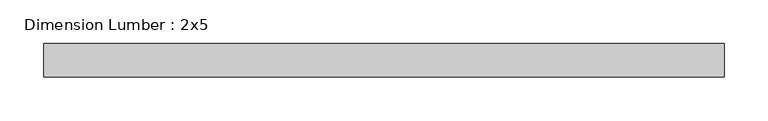
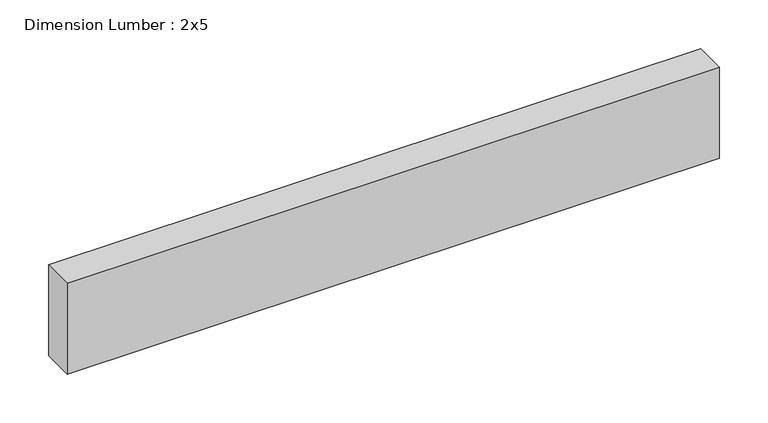
"""IFC4 building model written with IfcOpenShell, lengths in millimetres: beam geometry, Dimension Lumber : 2x5."""

import ifcopenshell
import ifcopenshell.guid

model = None  # the IFC model being written
_history = None  # IfcOwnerHistory: only IFC2X3 demands one
_inside = {}  # id of a spatial element -> (the spatial element, [elements in it])
_under = {}  # id of a project, library or spatial element -> (it, [spatial elements below it])
_declared = {}  # id of a project -> (the project, [libraries it declares])
_typed = {}  # id of a type object -> (the type object, [elements of that type])
_made_of = {}  # id of a material, layer set ... -> (it, [elements and type objects made of it])


def new_model(schema):
    """Start an empty IFC model of exactly this schema.

    Asked for "IFC4X3", IfcOpenShell would pick the latest addendum, in which some entities
    have other attributes; the version numbers below select the first issue.
    IFC2X3 requires an IfcOwnerHistory on every rooted entity: one is made here for all.
    """
    global model, _history
    if schema == "IFC4X3":
        model = ifcopenshell.file(schema_version=(4, 3, 0, 0))
    else:
        model = ifcopenshell.file(schema=schema)
    _inside.clear()
    _under.clear()
    _declared.clear()
    _typed.clear()
    _made_of.clear()
    _history = None
    if model.schema == "IFC2X3":
        org = make("IfcOrganization", Name="unknown")
        user = make(
            "IfcPersonAndOrganization",
            ThePerson=make("IfcPerson", FamilyName="unknown"),
            TheOrganization=org,
        )
        app = make(
            "IfcApplication",
            ApplicationDeveloper=org,
            Version="unknown",
            ApplicationFullName="unknown",
            ApplicationIdentifier="unknown",
        )
        _history = make(
            "IfcOwnerHistory",
            OwningUser=user,
            OwningApplication=app,
            ChangeAction="ADDED",
            CreationDate=0,
        )
    return model


def make(cls, **values):
    """One entity of the class cls with the attributes given. An attribute that is None is left unset."""
    return model.create_entity(
        cls, **{name: value for name, value in values.items() if value is not None}
    )


def rooted(cls, **values):
    """An entity with a GlobalId (a new one), such as an element, a storey or a relation."""
    return make(cls, GlobalId=ifcopenshell.guid.new(), OwnerHistory=_history, **values)


def si_unit(unit_type, name, prefix=None):
    """IfcSIUnit, for example si_unit("LENGTHUNIT", "METRE", prefix="MILLI")."""
    return make("IfcSIUnit", UnitType=unit_type, Prefix=prefix, Name=name)


def assignment(units):
    """IfcUnitAssignment: the units of a project."""
    return None if units is None else make("IfcUnitAssignment", Units=units)


def point(xyz):
    """IfcCartesianPoint."""
    return None if xyz is None else make("IfcCartesianPoint", Coordinates=xyz)


def direction(xyz):
    """IfcDirection."""
    return None if xyz is None else make("IfcDirection", DirectionRatios=xyz)


def frame(location, z_axis=None, x_axis=None):
    """IfcAxis2Placement3D, a coordinate frame: its origin and axes. An axis left out is left unset."""
    return make(
        "IfcAxis2Placement3D",
        Location=point(location),
        Axis=direction(z_axis),
        RefDirection=direction(x_axis),
    )


def origin():
    """The frame at (0, 0, 0) with its axes left unset."""
    return frame((0.0, 0.0, 0.0))


def place(relative_to, where):
    """IfcLocalPlacement: puts the frame where relative to a parent placement (None: the world)."""
    return make(
        "IfcLocalPlacement", PlacementRelTo=relative_to, RelativePlacement=where
    )


def context(
    kind, dimensions, precision=None, world=None, true_north=None, identifier=None
):
    """IfcGeometricRepresentationContext, for example the 3D "Model" context."""
    return make(
        "IfcGeometricRepresentationContext",
        ContextIdentifier=identifier,
        ContextType=kind,
        CoordinateSpaceDimension=dimensions,
        Precision=precision,
        WorldCoordinateSystem=world,
        TrueNorth=true_north,
    )


def project(units=None, contexts=None):
    """IfcProject with its units and contexts."""
    return rooted(
        "IfcProject",
        Name="project",
        RepresentationContexts=contexts,
        UnitsInContext=assignment(units),
    )


def spatial(cls, under=None, at=None, **own):
    """A site, building, storey or space (cls), placed at a placement, below another one or the project."""
    s = rooted(cls, ObjectPlacement=at, **own)
    if under is not None:
        _under.setdefault(under.id(), (under, []))[1].append(s)
    return s


def polyline(points):
    """IfcPolyline through the points."""
    return make("IfcPolyline", Points=[point(p) for p in points])


def outline(outer, holes=None, kind="AREA"):
    """IfcArbitraryClosedProfileDef: a profile drawn as a closed curve; with holes, ...WithVoids."""
    if holes is None:
        return make("IfcArbitraryClosedProfileDef", ProfileType=kind, OuterCurve=outer)
    return make(
        "IfcArbitraryProfileDefWithVoids",
        ProfileType=kind,
        OuterCurve=outer,
        InnerCurves=holes,
    )


def extrude(swept, where, along, depth):
    """IfcExtrudedAreaSolid: the profile swept, set in the frame where, extruded along a direction by depth."""
    return make(
        "IfcExtrudedAreaSolid",
        SweptArea=swept,
        Position=where,
        ExtrudedDirection=direction(along),
        Depth=depth,
    )


def shape(context_of_items, identifier, shape_type, items):
    """IfcShapeRepresentation: the items that make up one representation, for example the "Body"."""
    return make(
        "IfcShapeRepresentation",
        ContextOfItems=context_of_items,
        RepresentationIdentifier=identifier,
        RepresentationType=shape_type,
        Items=items,
    )


def source(mapping_origin, context_of_items, identifier, shape_type, items):
    """IfcRepresentationMap: a shape defined once, which mapped items show again and again."""
    return make(
        "IfcRepresentationMap",
        MappingOrigin=mapping_origin,
        MappedRepresentation=shape(context_of_items, identifier, shape_type, items),
    )


def transform(
    local_origin,
    x_axis=None,
    y_axis=None,
    z_axis=None,
    scale=None,
    scale2=None,
    scale3=None,
    uniform=True,
):
    """IfcCartesianTransformationOperator3D, or its non-uniform kind. x_axis, y_axis, z_axis: its Axis1, 2, 3."""
    if uniform:
        return make(
            "IfcCartesianTransformationOperator3D",
            Axis1=direction(x_axis),
            Axis2=direction(y_axis),
            LocalOrigin=point(local_origin),
            Scale=scale,
            Axis3=direction(z_axis),
        )
    return make(
        "IfcCartesianTransformationOperator3DnonUniform",
        Axis1=direction(x_axis),
        Axis2=direction(y_axis),
        LocalOrigin=point(local_origin),
        Scale=scale,
        Axis3=direction(z_axis),
        Scale2=scale2,
        Scale3=scale3,
    )


def mapped(mapping_source, mapping_target):
    """IfcMappedItem: shows the shape of a source again, moved by a transform."""
    return make(
        "IfcMappedItem", MappingSource=mapping_source, MappingTarget=mapping_target
    )


def made_of(thing, what):
    """Note that an element or type object is made of a material, layer set ...; save() writes the relation."""
    if what is not None:
        _made_of.setdefault(what.id(), (what, []))[1].append(thing)
    return thing


def element(
    cls,
    number,
    at=None,
    inside=None,
    cuts=None,
    type_object=None,
    material=None,
    context=None,
    identifier="Body",
    shape_type=None,
    held_by="IfcProductDefinitionShape",
    body=None,
    shapes=None,
    **own,
):
    """One element of the class cls, such as IfcWall. Its Tag is "e" and its number.

    at: its placement. inside: the storey or other place that contains it. cuts: it is an
    opening in that element (IfcRelVoidsElement). A single representation is given by context,
    identifier, shape_type and body (its items); several are given by shapes. held_by: the class
    of the entity that holds the representations. save() writes the other relations.
    """
    e = rooted(cls, Tag="e%d" % number, ObjectPlacement=at, **own)
    if body is not None:
        shapes = [shape(context, identifier, shape_type, body)]
    if shapes is not None:
        e.Representation = make(held_by, Representations=shapes)
    if inside is not None:
        _inside.setdefault(inside.id(), (inside, []))[1].append(e)
    if cuts is not None:
        rooted(
            "IfcRelVoidsElement", RelatingBuildingElement=cuts, RelatedOpeningElement=e
        )
    if type_object is not None:
        _typed.setdefault(type_object.id(), (type_object, []))[1].append(e)
    return made_of(e, material)


def aggregate(whole, parts):
    """IfcRelAggregates: a whole, such as a stair, and the parts it consists of."""
    return rooted("IfcRelAggregates", RelatingObject=whole, RelatedObjects=parts)


def save(model, path):
    """Write the relations noted so far, then the file.

    IfcRelAggregates (storeys below a building ...), IfcRelContainedInSpatialStructure (elements
    in a storey), IfcRelDefinesByType, IfcRelAssociatesMaterial and IfcRelDeclares: one each for
    every whole, place, type object, material and project.
    """
    for whole, parts in _under.values():
        aggregate(whole, parts)
    for where, things in _inside.values():
        rooted(
            "IfcRelContainedInSpatialStructure",
            RelatedElements=things,
            RelatingStructure=where,
        )
    for kind, things in _typed.values():
        rooted("IfcRelDefinesByType", RelatedObjects=things, RelatingType=kind)
    for what, things in _made_of.values():
        rooted("IfcRelAssociatesMaterial", RelatedObjects=things, RelatingMaterial=what)
    for by, libraries in _declared.values():
        rooted("IfcRelDeclares", RelatingContext=by, RelatedDefinitions=libraries)
    model.write(path)


def dimension_lumber_2x5_b24bcf29(model_context):
    return source(origin(), model_context, "Body", "SweptSolid", [
        extrude(outline(polyline([(386.9115509, 19.05), (386.9115509, -19.05), (-386.9115509, -19.05), (-386.9115509, 19.05), (386.9115509, 19.05)])), frame((0.0, 0.0, -57.15), z_axis=(0.0, 0.0, 1.0), x_axis=(1.0, 0.0, 0.0)), (0.0, 0.0, 1.0), 114.3),
    ])


if __name__ == "__main__":
    model = new_model("IFC4")
    model_context = context("Model", 3, world=origin())
    ifc_project = project(units=[si_unit("LENGTHUNIT", "METRE", prefix="MILLI")], contexts=[model_context])
    site = spatial("IfcSite", under=ifc_project)
    building = spatial("IfcBuilding", under=site)
    placement = place(None, origin())
    dimension_lumber_2x5_shape = dimension_lumber_2x5_b24bcf29(model_context)
    element("IfcBeam", 1, ObjectType="Dimension Lumber : 2x5", at=placement, inside=building, context=model_context, shape_type="MappedRepresentation", body=[
        mapped(dimension_lumber_2x5_shape, transform((0.0, 0.0, 0.0), x_axis=(1.0, 0.0, 0.0), y_axis=(0.0, 1.0, 0.0), z_axis=(0.0, 0.0, 1.0))),
    ])
    save(model, "model.ifc")
